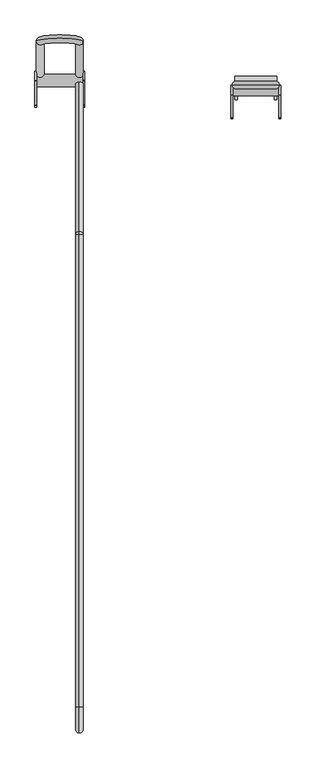
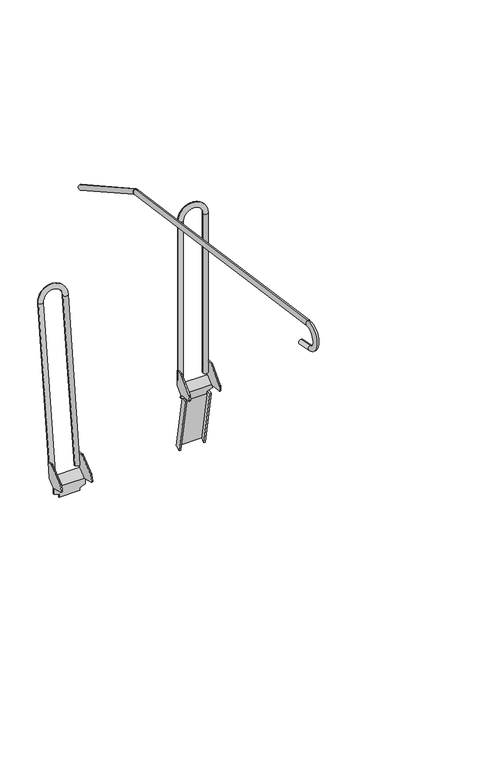
"""IFC4 building model written with IfcOpenShell, lengths in millimetres: proxy geometry."""

from ifc_helpers import new_model, si_unit, point, frame, origin, place, context, project, spatial, circle_curve, ellipse_curve, trimmed, source, transform, mapped, element, save
from ifc_brep_helpers import plane_surface, cylinder_surface, revolved_surface, advanced_brep


def parking_b1789103(model_context):
    return source(origin(), model_context, "Body", "AdvancedBrep", [
        advanced_brep(
        [(-360.0, 572.7413925, 1043.3513463), (-360.0, 564.9175919, 1029.3297624), (-360.0, 268.9570816, 1212.857722), (-360.0, 261.133281, 1198.8361381), (-360.0, 260.0106926, 1199.2142021), (-360.0, 262.2631411, 1215.1120997), (-360.0, -698.9235668, 1351.295107), (-360.0, -701.1760152, 1335.3972094), (-360.0, -664.9428908, 1248.1665916), (-360.0, -661.834922, 1263.9195976), (-360.0, -711.6180658, 1273.7414982), (-360.0, -714.7260346, 1257.9884921)],
        [
            (0, 1, circle_curve(frame((-360.0, 568.8294922, 1036.3405543), z_axis=(0.0, 0.8732559976241542, -0.4872616982828051), x_axis=(0.0, -0.4872616982828051, -0.8732559976241542)), 8.0283353)),
            (1, 0, circle_curve(frame((-360.0, 568.8294922, 1036.3405543), z_axis=(0.0, 0.8732559976241542, -0.4872616982828051), x_axis=(0.0, -0.4872616982828051, -0.8732559976241542)), 8.0283353)),
            (0, 2),
            (2, 3, circle_curve(frame((-360.0, 265.0451813, 1205.84693), z_axis=(0.0, 0.8732559976241542, -0.4872616982828051), x_axis=(0.0, -0.4872616982828051, -0.8732559976241542)), 8.0283353)),
            (3, 1),
            (3, 2, circle_curve(frame((-360.0, 265.0451813, 1205.84693), z_axis=(0.0, 0.8732559976241542, -0.4872616982828051), x_axis=(0.0, -0.4872616982828051, -0.8732559976241542)), 8.0283353)),
            (4, 5, circle_curve(frame((-360.0, 261.1369168, 1207.1631509), z_axis=(0.0, -0.9901117083871345, 0.140281163791544), x_axis=(0.0, -0.140281163791544, -0.9901117083871345)), 8.0283353)),
            (5, 6),
            (6, 7, circle_curve(frame((-360.0, -700.049791, 1343.3461582), z_axis=(0.0, 0.9901117083871345, -0.140281163791544), x_axis=(0.0, -0.140281163791544, -0.9901117083871345)), 8.0283353)),
            (7, 4),
            (5, 4, circle_curve(frame((-360.0, 261.1369168, 1207.1631509), z_axis=(0.0, -0.9901117083871345, 0.140281163791544), x_axis=(0.0, -0.140281163791544, -0.9901117083871345)), 8.0283353)),
            (7, 6, circle_curve(frame((-360.0, -700.049791, 1343.3461582), z_axis=(0.0, 0.9901117083871345, -0.140281163791544), x_axis=(0.0, -0.140281163791544, -0.9901117083871345)), 8.0283353)),
            (8, 9, circle_curve(frame((-360.0, -663.3889064, 1256.0430946), z_axis=(0.0, 0.9810879524116618, -0.1935624695871931), x_axis=(0.0, 0.1935624695871931, 0.9810879524116618)), 8.0283353)),
            (9, 8, circle_curve(frame((-360.0, -663.3889064, 1256.0430946), z_axis=(0.0, 0.9810879524116618, -0.1935624695871931), x_axis=(0.0, 0.1935624695871931, 0.9810879524116618)), 8.0283353)),
            (10, 11, circle_curve(frame((-360.0, -713.1720502, 1265.8649951), z_axis=(0.0, 0.9810879524116618, -0.1935624695871931), x_axis=(0.0, 0.1935624695871931, 0.9810879524116618)), 8.0283353)),
            (11, 8),
            (9, 10),
            (11, 10, circle_curve(frame((-360.0, -713.1720502, 1265.8649951), z_axis=(0.0, 0.9810879524116618, -0.1935624695871931), x_axis=(0.0, 0.1935624695871931, 0.9810879524116618)), 8.0283353)),
            (10, 7, circle_curve(frame((-360.0, -705.563767, 1304.4282301), z_axis=(-1.0, 0.0, 0.0), x_axis=(0.0, 0.14028116379154418, 0.9901117083871345)), 31.278268)),
            (6, 11, circle_curve(frame((-360.0, -705.563767, 1304.4282301), z_axis=(1.0, 0.0, 0.0), x_axis=(0.0, 0.14028116379154418, 0.9901117083871345)), 47.3349386)),
            (4, 3, circle_curve(frame((-360.0, 259.5568401, 1196.0108872), z_axis=(-1.0, 0.0, 0.0), x_axis=(0.0, 0.4872616982828005, 0.8732559976241566)), 3.2353066)),
            (2, 5, circle_curve(frame((-360.0, 259.5568401, 1196.0108872), z_axis=(1.0, 0.0, 0.0), x_axis=(0.0, 0.4872616982828005, 0.8732559976241566)), 19.2919772)),
        ],
        [
            plane_surface(frame((80.0, 568.8294922, 1036.3405543), z_axis=(0.0, 0.8732559976241542, -0.4872616982828051), x_axis=(1.0, 0.0, 0.0))),
            cylinder_surface(frame((-360.0, 568.8294922, 1036.3405543), z_axis=(0.0, 0.8732559976241542, -0.4872616982828051), x_axis=(0.0, -0.4872616982828051, -0.8732559976241542)), 8.0283353),
            cylinder_surface(frame((-360.0, 261.1369168, 1207.1631509), z_axis=(0.0, 0.9901117083871345, -0.140281163791544), x_axis=(0.0, -0.140281163791544, -0.9901117083871345)), 8.0283353),
            plane_surface(frame((80.0, -663.3889064, 1256.0430946), z_axis=(0.0, 0.9810879524116618, -0.19356246958719295), x_axis=(1.0, 0.0, 0.0))),
            cylinder_surface(frame((-360.0, -713.1720502, 1265.8649951), z_axis=(0.0, -0.9810879524116618, 0.1935624695871931), x_axis=(0.0, 0.1935624695871931, 0.9810879524116618)), 8.0283353),
            revolved_surface(trimmed(ellipse_curve(frame((-360.0, -700.049791, 1343.3461582), z_axis=(0.0, 0.9901117083871345, -0.14028116379154437), x_axis=(0.0, -0.14028116379154437, -0.9901117083871345)), 8.0283353, 8.0283353), [point((-360.0, -698.9235668, 1351.295107))], [point((-360.0, -701.1760152, 1335.3972094))], True, "CARTESIAN"), (80.0, -705.563767, 1304.4282301), (1.0, 0.0, 0.0)),
            revolved_surface(trimmed(ellipse_curve(frame((-360.0, -700.049791, 1343.3461582), z_axis=(0.0, 0.9901117083871345, -0.14028116379154437), x_axis=(0.0, -0.14028116379154437, -0.9901117083871345)), 8.0283353, 8.0283353), [point((-360.0, -701.1760152, 1335.3972094))], [point((-360.0, -698.9235668, 1351.295107))], True, "CARTESIAN"), (80.0, -705.563767, 1304.4282301), (1.0, 0.0, 0.0)),
            revolved_surface(trimmed(ellipse_curve(frame((-360.0, 265.0451813, 1205.84693), z_axis=(0.0, 0.8732559976241566, -0.4872616982828006), x_axis=(0.0, -0.4872616982828006, -0.8732559976241566)), 8.0283353, 8.0283353), [point((-360.0, 268.9570816, 1212.857722))], [point((-360.0, 261.133281, 1198.8361381))], True, "CARTESIAN"), (80.0, 259.5568401, 1196.0108872), (1.0, 0.0, 0.0)),
            revolved_surface(trimmed(ellipse_curve(frame((-360.0, 265.0451813, 1205.84693), z_axis=(0.0, 0.8732559976241566, -0.4872616982828006), x_axis=(0.0, -0.4872616982828006, -0.8732559976241566)), 8.0283353, 8.0283353), [point((-360.0, 261.133281, 1198.8361381))], [point((-360.0, 268.9570816, 1212.857722))], True, "CARTESIAN"), (80.0, 259.5568401, 1196.0108872), (1.0, 0.0, 0.0)),
        ],
        [
            (0, [[1, 2]]),
            (1, [[-1, 3, 4, 5]]),
            (1, [[-2, -5, 6, -3]]),
            (2, [[7, 8, 9, 10]]),
            (2, [[11, -10, 12, -8]]),
            (3, [[13, 14]]),
            (4, [[15, 16, -14, 17]]),
            (4, [[18, -17, -13, -16]]),
            (5, [[19, -9, 20, -15]]),
            (6, [[-20, -12, -19, -18]]),
            (7, [[21, -4, 22, -7]]),
            (8, [[-22, -6, -21, -11]]),
        ],
    ),
        advanced_brep(
        [(-349.1811577, 565.6416002, 44.5364845), (-349.1811577, 589.2519533, 63.0446241), (-349.1811577, 595.4565216, 114.262995), (-349.1811577, 576.5959669, 116.5477533), (-349.1811577, 575.1215703, 116.1362921), (-349.1811577, 527.1994208, 78.5701519), (-349.1811577, 526.138175, 76.930163), (-349.1811577, 521.8246807, 59.5094341), (-349.1811577, 524.7480023, 54.6620253), (-349.1811577, 563.5616628, 45.0514916), (-349.1811577, 563.5616628, 24.6645516), (-349.1811577, 565.6416002, 24.6645516), (-450.8188423, 589.2519533, 63.0446241), (-450.8188423, 565.6416002, 44.5364845), (-450.8188423, 565.6416002, 24.6645516), (-450.8188423, 563.5616628, 24.6645516), (-450.8188423, 563.5616628, 45.0514916), (-450.8188423, 524.7480023, 54.6620253), (-450.8188423, 521.8246807, 59.5094341), (-450.8188423, 526.138175, 76.930163), (-450.8188423, 527.1994208, 78.5701519), (-450.8188423, 575.1215703, 116.1362921), (-450.8188423, 576.5959669, 116.5477533), (-450.8188423, 595.4565216, 114.262995), (-447.2690307, 595.4565216, 114.262995), (-447.2690307, 589.5391244, 65.4152059), (-352.7309694, 589.5391244, 65.4152059), (-352.7309694, 595.4565216, 114.262995), (-447.2690307, 563.5616628, 45.0514916), (-352.7309694, 563.5616628, 45.0514916), (-352.7309694, 565.6416002, 44.5364845), (-447.2690307, 565.6416002, 44.5364845), (-433.7347779, 563.5616628, 17.4127965), (-433.7347779, 563.5616628, 7.4127965), (-366.2652221, 563.5616628, 7.4127965), (-366.2652221, 563.5616628, 17.4127965), (-366.2652221, 565.6416002, 17.4127965), (-366.2652221, 565.6416002, 7.4127965), (-433.7347779, 565.6416002, 7.4127965), (-433.7347779, 565.6416002, 17.4127965), (-447.2690307, 576.5959669, 116.5477533), (-447.2690307, 575.1215703, 116.1362921), (-447.2690307, 527.1994208, 78.5701519), (-447.2690307, 526.138175, 76.930163), (-447.2690307, 521.8246807, 59.5094341), (-447.2690307, 524.7480023, 54.6620253), (-352.7309694, 524.7480023, 54.6620253), (-352.7309694, 521.8246807, 59.5094341), (-352.7309694, 526.138175, 76.930163), (-352.7309694, 527.1994208, 78.5701519), (-352.7309694, 575.1215703, 116.1362921), (-352.7309694, 576.5959669, 116.5477533)],
        [
            (0, 1),
            (1, 2),
            (2, 3),
            (3, 4, circle_curve(frame((-349.1811577, 576.3554463, 114.5622685), z_axis=(1.0, 0.0, 0.0), x_axis=(0.0, 0.9993329440952969, 0.036519403689357466)), 2.0)),
            (4, 5),
            (5, 6, circle_curve(frame((-349.1811577, 529.0502347, 76.2091166), z_axis=(1.0, 0.0, 0.0), x_axis=(0.0, 0.9993329440952969, 0.036519403689357466)), 3.0)),
            (6, 7),
            (7, 8, circle_curve(frame((-349.1811577, 525.7100459, 58.5473905), z_axis=(1.0, 0.0, 0.0), x_axis=(0.0, 0.9993329440952969, 0.036519403689357466)), 4.0026979)),
            (8, 9),
            (9, 10),
            (10, 11),
            (11, 0),
            (12, 13),
            (13, 14),
            (14, 15),
            (15, 16),
            (16, 17),
            (17, 18, circle_curve(frame((-450.8188423, 525.7100459, 58.5473905), z_axis=(-1.0, 0.0, 0.0), x_axis=(0.0, 0.9993329440952969, 0.036519403689357466)), 4.0026979)),
            (18, 19),
            (19, 20, circle_curve(frame((-450.8188423, 529.0502347, 76.2091166), z_axis=(-1.0, 0.0, 0.0), x_axis=(0.0, 0.9993329440952969, 0.036519403689357466)), 3.0)),
            (20, 21),
            (21, 22, circle_curve(frame((-450.8188423, 576.3554463, 114.5622685), z_axis=(-1.0, 0.0, 0.0), x_axis=(0.0, 0.9993329440952969, 0.036519403689357466)), 2.0)),
            (22, 23),
            (23, 12),
            (1, 12),
            (23, 24),
            (24, 25),
            (25, 26),
            (26, 27),
            (27, 2),
            (25, 28),
            (28, 29),
            (29, 26),
            (0, 30),
            (30, 31),
            (31, 13),
            (9, 29),
            (28, 16),
            (15, 32),
            (32, 33),
            (33, 34),
            (34, 35),
            (35, 10),
            (11, 36),
            (36, 37),
            (37, 38),
            (38, 39),
            (39, 14),
            (39, 32),
            (35, 36),
            (34, 37),
            (33, 38),
            (24, 40),
            (40, 41, circle_curve(frame((-447.2690307, 576.3554463, 114.5622685), z_axis=(1.0, 0.0, 0.0), x_axis=(0.0, 0.9993329440952969, 0.036519403689357466)), 2.0)),
            (41, 42),
            (42, 43, circle_curve(frame((-447.2690307, 529.0502347, 76.2091166), z_axis=(1.0, 0.0, 0.0), x_axis=(0.0, 0.9993329440952969, 0.036519403689357466)), 3.0)),
            (43, 44),
            (44, 45, circle_curve(frame((-447.2690307, 525.7100459, 58.5473905), z_axis=(1.0, 0.0, 0.0), x_axis=(0.0, 0.9993329440952969, 0.036519403689357466)), 4.0026979)),
            (45, 28),
            (22, 40),
            (41, 21),
            (20, 42),
            (43, 19),
            (18, 44),
            (45, 17),
            (46, 47, circle_curve(frame((-352.7309694, 525.7100459, 58.5473905), z_axis=(-1.0, 0.0, 0.0), x_axis=(0.0, 0.9993329440952969, 0.036519403689357466)), 4.0026979)),
            (47, 48),
            (48, 49, circle_curve(frame((-352.7309694, 529.0502347, 76.2091166), z_axis=(-1.0, 0.0, 0.0), x_axis=(0.0, 0.9993329440952969, 0.036519403689357466)), 3.0)),
            (49, 50),
            (50, 51, circle_curve(frame((-352.7309694, 576.3554463, 114.5622685), z_axis=(-1.0, 0.0, 0.0), x_axis=(0.0, 0.9993329440952969, 0.036519403689357466)), 2.0)),
            (51, 27),
            (29, 46),
            (8, 46),
            (7, 47),
            (6, 48),
            (5, 49),
            (4, 50),
            (3, 51),
        ],
        [
            plane_surface(frame((-349.1811577, 565.2123306, 46.345449), z_axis=(1.0, 0.0, 0.0), x_axis=(0.0, -0.7870117679007277, -0.6169379848783597))),
            plane_surface(frame((-450.8188423, 565.2123306, 46.345449), z_axis=(-1.0, 0.0, 0.0), x_axis=(0.0, 0.7870117679007277, 0.6169379848783597))),
            plane_surface(frame((-349.1811577, 589.2519533, 63.0446241), z_axis=(0.0, 0.9927423906352683, -0.1202603252771778), x_axis=(-1.0, 0.0, 0.0))),
            plane_surface(frame((-349.1811577, 589.5391244, 65.4152059), z_axis=(0.0, -0.6169379848783597, 0.7870117679007277), x_axis=(-1.0, 0.0, 0.0))),
            plane_surface(frame((-349.1811577, 565.6416002, 44.5364845), z_axis=(0.0, 0.6169379848783604, -0.7870117679007271), x_axis=(-1.0, 0.0, 0.0))),
            plane_surface(frame((-349.1811577, 563.5616628, 45.0514916), z_axis=(0.0, -1.0, 0.0), x_axis=(-1.0, 0.0, 0.0))),
            plane_surface(frame((-349.1811577, 565.6416002, 4.1342929), z_axis=(0.0, 1.0, 0.0), x_axis=(-1.0, 0.0, 0.0))),
            plane_surface(frame((-433.7347779, 530.7601465, 17.4127965), z_axis=(-0.39073112848927327, 0.0, -0.9205048534524405), x_axis=(0.0, 1.0, 0.0))),
            plane_surface(frame((-349.1811577, 530.7601465, 24.6645516), z_axis=(0.39073112848927294, 0.0, -0.9205048534524407), x_axis=(0.0, 1.0, 0.0))),
            plane_surface(frame((-366.2652221, 530.7601465, 17.4127965), z_axis=(1.0, 0.0, 0.0), x_axis=(0.0, 1.0, 0.0))),
            plane_surface(frame((-366.2652221, 530.7601465, 7.4127965), z_axis=(0.0, 0.0, -1.0), x_axis=(0.0, 1.0, 0.0))),
            plane_surface(frame((-433.7347779, 530.7601465, 7.4127965), z_axis=(-1.0, 0.0, 0.0), x_axis=(0.0, 1.0, 0.0))),
            plane_surface(frame((-447.2690307, 599.0643313, 144.0452667), z_axis=(1.0, 0.0, 0.0), x_axis=(0.0, 0.12026032527716275, 0.99274239063527))),
            plane_surface(frame((-447.2690307, 595.4565216, 114.262995), z_axis=(0.0, 0.12026032527716858, 0.9927423906352694), x_axis=(-1.0, 0.0, 0.0))),
            plane_surface(frame((-447.2690307, 575.1215703, 116.1362921), z_axis=(0.0, -0.6169379848783629, 0.7870117679007252), x_axis=(-1.0, 0.0, 0.0))),
            plane_surface(frame((-447.2690307, 526.138175, 76.930163), z_axis=(0.0, -0.9706865925170237, 0.2403487863661677), x_axis=(-1.0, 0.0, 0.0))),
            plane_surface(frame((-447.2690307, 524.7480023, 54.6620253), z_axis=(0.0, -0.24034878636616136, -0.9706865925170252), x_axis=(-1.0, 0.0, 0.0))),
            plane_surface(frame((-352.7309694, 589.0810198, 62.9106294), z_axis=(-1.0000000000000002, 0.0, 0.0), x_axis=(0.0, -0.7870117679007274, -0.6169379848783603))),
            cylinder_surface(frame((-450.8188423, 525.7100459, 58.5473905), z_axis=(1.0000000000000002, 0.0, 0.0), x_axis=(0.0, 0.9993329440952969, 0.036519403689357466)), 4.0026979),
            cylinder_surface(frame((-450.8188423, 576.3554463, 114.5622685), z_axis=(1.0000000000000002, 0.0, 0.0), x_axis=(0.0, 0.9993329440952969, 0.036519403689357466)), 2.0),
            cylinder_surface(frame((-450.8188423, 529.0502347, 76.2091166), z_axis=(1.0000000000000002, 0.0, 0.0), x_axis=(0.0, 0.9993329440952969, 0.036519403689357466)), 3.0),
            plane_surface(frame((-352.7309694, 565.6416002, 44.5364845), z_axis=(0.0, -0.24034878636616136, -0.9706865925170252), x_axis=(1.0, 0.0, 0.0))),
            cylinder_surface(frame((-349.1811577, 525.7100459, 58.5473905), z_axis=(-1.0000000000000002, 0.0, 0.0), x_axis=(0.0, 0.9993329440952969, 0.036519403689357466)), 4.0026979),
            plane_surface(frame((-352.7309694, 521.8246807, 59.5094341), z_axis=(0.0, -0.9706865925170237, 0.24034878636616758), x_axis=(1.0, 0.0, 0.0))),
            cylinder_surface(frame((-349.1811577, 529.0502347, 76.2091166), z_axis=(-1.0000000000000002, 0.0, 0.0), x_axis=(0.0, 0.9993329440952969, 0.036519403689357466)), 3.0),
            plane_surface(frame((-352.7309694, 527.1994208, 78.5701519), z_axis=(0.0, -0.6169379848783629, 0.7870117679007252), x_axis=(1.0, 0.0, 0.0))),
            cylinder_surface(frame((-349.1811577, 576.3554463, 114.5622685), z_axis=(-1.0000000000000002, 0.0, 0.0), x_axis=(0.0, 0.9993329440952969, 0.036519403689357466)), 2.0),
            plane_surface(frame((-352.7309694, 576.5959669, 116.5477533), z_axis=(0.0, 0.12026032527716858, 0.9927423906352694), x_axis=(1.0, 0.0, 0.0))),
        ],
        [
            (0, [[1, 2, 3, 4, 5, 6, 7, 8, 9, 10, 11, 12]]),
            (1, [[13, 14, 15, 16, 17, 18, 19, 20, 21, 22, 23, 24]]),
            (2, [[-2, 25, -24, 26, 27, 28, 29, 30]]),
            (3, [[31, 32, 33, -28]]),
            (4, [[-25, -1, 34, 35, 36, -13]]),
            (5, [[-10, 37, -32, 38, -16, 39, 40, 41, 42, 43]]),
            (6, [[-12, 44, 45, 46, 47, 48, -14, -36, -35, -34]]),
            (7, [[49, -39, -15, -48]]),
            (8, [[50, -44, -11, -43]]),
            (9, [[-50, -42, 51, -45]]),
            (10, [[-51, -41, 52, -46]]),
            (11, [[-49, -47, -52, -40]]),
            (12, [[53, 54, 55, 56, 57, 58, 59, -31, -27]]),
            (13, [[-53, -26, -23, 60]]),
            (14, [[-55, 61, -21, 62]]),
            (15, [[-57, 63, -19, 64]]),
            (16, [[65, -17, -38, -59]]),
            (17, [[66, 67, 68, 69, 70, 71, -29, -33, 72]]),
            (18, [[-58, -64, -18, -65]]),
            (19, [[-54, -60, -22, -61]]),
            (20, [[-56, -62, -20, -63]]),
            (21, [[73, -72, -37, -9]]),
            (22, [[-66, -73, -8, 74]]),
            (23, [[-67, -74, -7, 75]]),
            (24, [[-68, -75, -6, 76]]),
            (25, [[-69, -76, -5, 77]]),
            (26, [[-70, -77, -4, 78]]),
            (27, [[-71, -78, -3, -30]]),
        ],
    ),
        advanced_brep(
        [(-431.9716647, 590.8766249, 76.9039447), (-448.0283353, 590.8766249, 76.9039447), (-431.9716647, 656.2792539, 616.7990611), (-448.0283353, 656.2792539, 616.7990611), (-351.9716647, 656.2792539, 616.7990611), (-368.0283353, 656.2792539, 616.7990611), (-368.0283353, 590.8766249, 76.9039447), (-351.9716647, 590.8766249, 76.9039447)],
        [
            (0, 1, circle_curve(frame((-440.0, 590.8766249, 76.9039447), z_axis=(0.0, -0.12026032527716479, -0.9927423906352698), x_axis=(-1.0, 0.0, 0.0)), 8.0283353)),
            (1, 0, circle_curve(frame((-440.0, 590.8766249, 76.9039447), z_axis=(0.0, -0.12026032527716479, -0.9927423906352698), x_axis=(-1.0, 0.0, 0.0)), 8.0283353)),
            (0, 2),
            (2, 3, circle_curve(frame((-440.0, 656.2792539, 616.7990611), z_axis=(0.0, -0.12026032527716479, -0.9927423906352698), x_axis=(-1.0, 0.0, 0.0)), 8.0283353)),
            (3, 1),
            (3, 2, circle_curve(frame((-440.0, 656.2792539, 616.7990611), z_axis=(0.0, -0.12026032527716479, -0.9927423906352698), x_axis=(-1.0, 0.0, 0.0)), 8.0283353)),
            (4, 3, circle_curve(frame((-400.0, 656.2792539, 616.7990611), z_axis=(0.0, -0.9927423906352698, 0.12026032527716479), x_axis=(-1.0, 0.0, 0.0)), 48.0283353)),
            (2, 5, circle_curve(frame((-400.0, 656.2792539, 616.7990611), z_axis=(0.0, 0.9927423906352698, -0.12026032527716479), x_axis=(-1.0, 0.0, 0.0)), 31.9716647)),
            (5, 4, circle_curve(frame((-360.0, 656.2792539, 616.7990611), z_axis=(0.0, 0.12026032527716479, 0.9927423906352698), x_axis=(1.0, 0.0, 0.0)), 8.0283353)),
            (4, 5, circle_curve(frame((-360.0, 656.2792539, 616.7990611), z_axis=(0.0, 0.12026032527716479, 0.9927423906352698), x_axis=(1.0, 0.0, 0.0)), 8.0283353)),
            (6, 7, circle_curve(frame((-360.0, 590.8766249, 76.9039447), z_axis=(0.0, -0.12026032527716475, -0.9927423906352698), x_axis=(1.0, 0.0, 0.0)), 8.0283353)),
            (7, 6, circle_curve(frame((-360.0, 590.8766249, 76.9039447), z_axis=(0.0, -0.12026032527716475, -0.9927423906352698), x_axis=(1.0, 0.0, 0.0)), 8.0283353)),
            (5, 6),
            (7, 4),
        ],
        [
            plane_surface(frame((-440.0, -51.4341584, 154.7131573), z_axis=(0.0, -0.12026032527716479, -0.9927423906352698), x_axis=(0.0, -0.9927423906352698, 0.12026032527716479))),
            cylinder_surface(frame((-440.0, 590.8766249, 76.9039447), z_axis=(0.0, -0.12026032527716479, -0.9927423906352698), x_axis=(-1.0, 0.0, 0.0)), 8.0283353),
            revolved_surface(trimmed(ellipse_curve(frame((-440.0, 656.2792539, 616.7990611), z_axis=(0.0, -0.12026032527716479, -0.9927423906352698), x_axis=(-1.0, 0.0, 0.0)), 8.0283353, 8.0283353), [point((-431.9716647, 656.2792539, 616.7990611))], [point((-448.0283353, 656.2792539, 616.7990611))], True, "CARTESIAN"), (-400.0, 13.9684706, 694.6082737), (0.0, 0.9927423906352698, -0.12026032527716479)),
            revolved_surface(trimmed(ellipse_curve(frame((-440.0, 656.2792539, 616.7990611), z_axis=(0.0, -0.12026032527716479, -0.9927423906352698), x_axis=(-1.0, 0.0, 0.0)), 8.0283353, 8.0283353), [point((-448.0283353, 656.2792539, 616.7990611))], [point((-431.9716647, 656.2792539, 616.7990611))], True, "CARTESIAN"), (-400.0, 13.9684706, 694.6082737), (0.0, 0.9927423906352698, -0.12026032527716479)),
            plane_surface(frame((-360.0, -51.4341584, 154.7131573), z_axis=(0.0, -0.12026032527716475, -0.9927423906352698), x_axis=(0.0, -0.9927423906352698, 0.12026032527716475))),
            cylinder_surface(frame((-360.0, 656.2792539, 616.7990611), z_axis=(0.0, 0.12026032527716475, 0.9927423906352698), x_axis=(1.0, 0.0, 0.0)), 8.0283353),
        ],
        [
            (0, [[1, 2]]),
            (1, [[-1, 3, 4, 5]]),
            (1, [[-2, -5, 6, -3]]),
            (2, [[7, -4, 8, 9]]),
            (3, [[-8, -6, -7, 10]]),
            (4, [[11, 12]]),
            (5, [[-9, 13, -12, 14]]),
            (5, [[-10, -14, -11, -13]]),
        ],
    ),
        advanced_brep(
        [(-31.9716647, 567.029181, 267.481457), (-48.0283353, 567.029181, 267.481457), (-31.9716647, 567.029181, 811.323567), (-48.0283353, 567.029181, 811.323567), (48.0283353, 567.029181, 811.323567), (31.9716647, 567.029181, 811.323567), (31.9716647, 567.029181, 267.481457), (48.0283353, 567.029181, 267.481457)],
        [
            (0, 1, circle_curve(frame((-40.0, 567.029181, 267.481457), z_axis=(0.0, 0.0, -1.0), x_axis=(-1.0, 0.0, 0.0)), 8.0283353)),
            (1, 0, circle_curve(frame((-40.0, 567.029181, 267.481457), z_axis=(0.0, 0.0, -1.0), x_axis=(-1.0, 0.0, 0.0)), 8.0283353)),
            (0, 2),
            (2, 3, circle_curve(frame((-40.0, 567.029181, 811.323567), z_axis=(0.0, 0.0, -1.0), x_axis=(-1.0, 0.0, 0.0)), 8.0283353)),
            (3, 1),
            (3, 2, circle_curve(frame((-40.0, 567.029181, 811.323567), z_axis=(0.0, 0.0, -1.0), x_axis=(-1.0, 0.0, 0.0)), 8.0283353)),
            (4, 3, circle_curve(frame((0.0, 567.029181, 811.323567), z_axis=(0.0, -1.0, 0.0), x_axis=(-1.0, 0.0, 0.0)), 48.0283353)),
            (2, 5, circle_curve(frame((0.0, 567.029181, 811.323567), z_axis=(0.0, 1.0, 0.0), x_axis=(-1.0, 0.0, 0.0)), 31.9716647)),
            (5, 4, circle_curve(frame((40.0, 567.029181, 811.323567), z_axis=(0.0, 0.0, 1.0), x_axis=(1.0, 0.0, 0.0)), 8.0283353)),
            (4, 5, circle_curve(frame((40.0, 567.029181, 811.323567), z_axis=(0.0, 0.0, 1.0), x_axis=(1.0, 0.0, 0.0)), 8.0283353)),
            (6, 7, circle_curve(frame((40.0, 567.029181, 267.481457), z_axis=(0.0, 0.0, -1.0), x_axis=(1.0, 0.0, 0.0)), 8.0283353)),
            (7, 6, circle_curve(frame((40.0, 567.029181, 267.481457), z_axis=(0.0, 0.0, -1.0), x_axis=(1.0, 0.0, 0.0)), 8.0283353)),
            (5, 6),
            (7, 4),
        ],
        [
            plane_surface(frame((-40.0, 0.0, 267.481457), z_axis=(0.0, 0.0, -1.0), x_axis=(0.0, -1.0, 0.0))),
            cylinder_surface(frame((-40.0, 567.029181, 267.481457), z_axis=(0.0, 0.0, -1.0), x_axis=(-1.0, 0.0, 0.0)), 8.0283353),
            revolved_surface(trimmed(ellipse_curve(frame((-40.0, 567.029181, 811.323567), z_axis=(0.0, 0.0, -1.0), x_axis=(-1.0, 0.0, 0.0)), 8.0283353, 8.0283353), [point((-31.9716647, 567.029181, 811.323567))], [point((-48.0283353, 567.029181, 811.323567))], True, "CARTESIAN"), (0.0, 0.0, 811.323567), (0.0, 1.0, 0.0)),
            revolved_surface(trimmed(ellipse_curve(frame((-40.0, 567.029181, 811.323567), z_axis=(0.0, 0.0, -1.0), x_axis=(-1.0, 0.0, 0.0)), 8.0283353, 8.0283353), [point((-48.0283353, 567.029181, 811.323567))], [point((-31.9716647, 567.029181, 811.323567))], True, "CARTESIAN"), (0.0, 0.0, 811.323567), (0.0, 1.0, 0.0)),
            plane_surface(frame((40.0, 0.0, 267.481457), z_axis=(0.0, 0.0, -1.0), x_axis=(0.0, -1.0, 0.0))),
            cylinder_surface(frame((40.0, 567.029181, 811.323567), z_axis=(0.0, 0.0, 1.0), x_axis=(1.0, 0.0, 0.0)), 8.0283353),
        ],
        [
            (0, [[1, 2]]),
            (1, [[-1, 3, 4, 5]]),
            (1, [[-2, -5, 6, -3]]),
            (2, [[7, -4, 8, 9]]),
            (3, [[-8, -6, -7, 10]]),
            (4, [[11, 12]]),
            (5, [[-9, 13, -12, 14]]),
            (5, [[-10, -14, -11, -13]]),
        ],
    ),
        advanced_brep(
        [(-37.4402695, 550.7117475, 214.7482394), (-37.4402695, 537.1434371, 212.3557802), (-37.4402695, 570.2100407, 24.8257524), (-37.4402695, 582.5935569, 33.9375135), (-42.5597305, 582.5935569, 33.9375135), (-42.5597305, 570.2100407, 24.8257524), (-42.5597305, 537.1434371, 212.3557802), (-42.5597305, 552.927285, 215.1388984), (-42.5597305, 584.8090943, 34.3281726), (42.5597305, 552.927285, 215.1388984), (42.5597305, 584.8090943, 34.3281726), (-0.3546876, 552.927285, 215.1388984), (-33.7347779, 550.7117475, 214.7482394), (37.4402695, 582.5935569, 33.9375135), (37.4402695, 550.7117475, 214.7482394), (33.7347779, 550.7117475, 214.7482394), (33.7347779, 552.4482293, 204.9001619), (-33.7347779, 552.4482293, 204.9001619), (42.5597305, 537.1434371, 212.3557802), (42.5597305, 570.2100407, 24.8257524), (42.5597305, 582.5935569, 33.9375135), (-0.3546876, 550.7117475, 214.7482394), (37.4402695, 537.1434371, 212.3557802), (37.4402695, 570.2100407, 24.8257524), (-47.2690307, 567.083027, 305.1201498), (-47.2690307, 547.256162, 305.1201498), (-47.2690307, 500.8047442, 258.668732), (-47.2690307, 499.9484261, 256.9130197), (-47.2690307, 498.3438511, 243.844805), (-47.2690307, 501.8265584, 239.387143), (-47.2690307, 545.2261228, 234.0583466), (-47.2690307, 567.083027, 255.9152508), (-50.8188423, 567.083027, 305.1201498), (-50.8188423, 547.256162, 305.1201498), (-50.8188423, 500.8047442, 258.668732), (-50.8188423, 499.9484261, 256.9130197), (-50.8188423, 498.3438511, 243.844805), (-50.8188423, 501.8265584, 239.387143), (-50.8188423, 545.2261228, 234.0583466), (50.8188423, 547.3528998, 233.7972112), (50.8188423, 567.083027, 253.5273384), (50.8188423, 567.083027, 305.1201498), (50.8188423, 547.256162, 305.1201498), (50.8188423, 500.8047442, 258.668732), (50.8188423, 499.9484261, 256.9130197), (50.8188423, 498.3488573, 243.8855774), (50.8188423, 501.8673307, 239.3821368), (50.8188423, 545.2261228, 234.0583466), (50.8188423, 547.4345034, 221.5339979), (50.8188423, 549.4524935, 221.889824), (-50.8188423, 567.083027, 253.5273384), (-50.8188423, 547.3528998, 233.7972112), (-50.8188423, 549.4524935, 221.889824), (-50.8188423, 547.4345034, 221.5339979), (47.2690307, 567.083027, 255.9152508), (47.2690307, 567.083027, 305.1201498), (47.2690307, 545.2261228, 234.0583466), (-33.7347779, 548.6937574, 214.3924133), (-33.7347779, 550.4302392, 204.5443358), (33.7347779, 550.4302392, 204.5443358), (33.7347779, 548.6937574, 214.3924133), (-47.2690307, 547.3528998, 233.7972112), (47.2690307, 547.3528998, 233.7972112), (47.2690307, 501.8673307, 239.3821368), (47.2690307, 498.3488573, 243.8855774), (47.2690307, 499.9484261, 256.9130197), (47.2690307, 500.8047442, 258.668732), (47.2690307, 547.256162, 305.1201498)],
        [
            (0, 1),
            (1, 2),
            (2, 3),
            (3, 0),
            (4, 5),
            (5, 6),
            (6, 7),
            (7, 8),
            (8, 4),
            (1, 6),
            (5, 2),
            (4, 3),
            (9, 10),
            (10, 8),
            (7, 11),
            (11, 9),
            (12, 0),
            (3, 13),
            (13, 14),
            (14, 15),
            (15, 16),
            (16, 17),
            (17, 12),
            (9, 18),
            (18, 19),
            (19, 20),
            (20, 10),
            (20, 13),
            (11, 21),
            (21, 15),
            (14, 22),
            (22, 18),
            (12, 21),
            (13, 23),
            (23, 22),
            (23, 19),
            (24, 25),
            (25, 26),
            (26, 27, circle_curve(frame((-47.2690307, 502.9260646, 256.5474117), z_axis=(1.0, 0.0, 0.0), x_axis=(0.0, 0.9876883405951372, 0.15643446504023437)), 3.0)),
            (27, 28),
            (28, 29, circle_curve(frame((-47.2690307, 502.3140357, 243.3573276), z_axis=(1.0, 0.0, 0.0), x_axis=(0.0, 0.9876883405951372, 0.15643446504023437)), 4.0)),
            (29, 30),
            (30, 31),
            (31, 24),
            (24, 32),
            (32, 33),
            (33, 25),
            (33, 34),
            (34, 26),
            (27, 35),
            (35, 36),
            (36, 28),
            (29, 37),
            (37, 38),
            (38, 30),
            (39, 40),
            (40, 41),
            (41, 42),
            (42, 43),
            (43, 44, circle_curve(frame((50.8188423, 502.9260646, 256.5474117), z_axis=(1.0, 0.0, 0.0), x_axis=(0.0, 0.9876883405951372, 0.15643446504023437)), 3.0)),
            (44, 45),
            (45, 46, circle_curve(frame((50.8188423, 502.3598143, 243.3930938), z_axis=(1.0, 0.0, 0.0), x_axis=(0.0, 0.9876883405951372, 0.15643446504023437)), 4.0410785)),
            (46, 47),
            (47, 48),
            (48, 49),
            (49, 39),
            (50, 51),
            (51, 52),
            (52, 53),
            (53, 38),
            (37, 36, circle_curve(frame((-50.8188423, 502.3140357, 243.3573276), z_axis=(-1.0, 0.0, 0.0), x_axis=(0.0, 0.9876883405951372, 0.15643446504023437)), 4.0)),
            (35, 34, circle_curve(frame((-50.8188423, 502.9260646, 256.5474117), z_axis=(-1.0, 0.0, 0.0), x_axis=(0.0, 0.9876883405951372, 0.15643446504023437)), 3.0)),
            (32, 50),
            (40, 50),
            (31, 54),
            (54, 55),
            (55, 41),
            (47, 56),
            (56, 30),
            (53, 57),
            (57, 58),
            (58, 59),
            (59, 60),
            (60, 48),
            (58, 17),
            (16, 59),
            (49, 15),
            (12, 52),
            (51, 61),
            (61, 62),
            (62, 39),
            (56, 54),
            (63, 64, circle_curve(frame((47.2690307, 502.3598143, 243.3930938), z_axis=(-1.0, 0.0, 0.0), x_axis=(0.0, 0.9876883405951372, 0.15643446504023437)), 4.0410785)),
            (64, 65),
            (65, 66, circle_curve(frame((47.2690307, 502.9260646, 256.5474117), z_axis=(-1.0, 0.0, 0.0), x_axis=(0.0, 0.9876883405951372, 0.15643446504023437)), 3.0)),
            (66, 67),
            (67, 55),
            (56, 63),
            (67, 42),
            (66, 43),
            (64, 45),
            (44, 65),
            (46, 63),
            (12, 57),
            (60, 15),
        ],
        [
            plane_surface(frame((-37.4402695, 546.9793849, 235.9155195), z_axis=(1.0000000000000002, 0.0, 0.0), x_axis=(0.0, -0.1736481776669319, 0.9848077530122079))),
            plane_surface(frame((-42.5597305, 546.9793849, 235.9155195), z_axis=(-1.0000000000000002, 0.0, 0.0), x_axis=(0.0, 0.1736481776669319, -0.9848077530122079))),
            plane_surface(frame((-37.4402695, 537.1434371, 212.3557802), z_axis=(0.0, -0.9848077530122078, -0.17364817766693205), x_axis=(-1.0, 0.0, 0.0))),
            plane_surface(frame((-37.4402695, 570.2100407, 24.8257524), z_axis=(0.0, 0.5926536266772812, -0.8054574344968615), x_axis=(-1.0, 0.0, 0.0))),
            plane_surface(frame((42.5597305, 549.6390906, 233.7871752), z_axis=(0.0, 0.9848077530122079, 0.17364817766693175), x_axis=(0.0, 0.17364817766693175, -0.9848077530122079))),
            plane_surface(frame((42.5597305, 547.4235532, 233.3965161), z_axis=(0.0, -0.9848077530122079, -0.17364817766693175), x_axis=(0.0, -0.17364817766693175, 0.9848077530122079))),
            plane_surface(frame((42.5597305, 552.927285, 215.1388984), z_axis=(1.0, 0.0, 0.0), x_axis=(0.0, -0.984807753012208, -0.17364817766693083))),
            plane_surface(frame((42.5597305, 584.8090943, 34.3281726), z_axis=(0.0, 0.17364817766693083, -0.984807753012208), x_axis=(0.0, -0.984807753012208, -0.17364817766693083))),
            plane_surface(frame((-0.3546876, 552.927285, 215.1388984), z_axis=(0.0, -0.17364817766693083, 0.984807753012208), x_axis=(0.0, -0.984807753012208, -0.17364817766693083))),
            plane_surface(frame((-37.4402695, 550.7117475, 214.7482394), z_axis=(0.0, -0.17364817766693177, 0.9848077530122079), x_axis=(-1.0, 0.0, 0.0))),
            plane_surface(frame((37.4402695, 308.3064935, -167.8822424), z_axis=(-1.0000000000000002, 0.0, 0.0), x_axis=(0.0, -0.8054574344968625, -0.5926536266772799))),
            plane_surface(frame((37.4402695, 570.2100407, 24.8257524), z_axis=(0.0, -0.9848077530122079, -0.17364817766693136), x_axis=(1.0, 0.0, 0.0))),
            plane_surface(frame((37.4402695, 582.5935569, 33.9375135), z_axis=(0.0, 0.5926536266772799, -0.8054574344968625), x_axis=(1.0, 0.0, 0.0))),
            plane_surface(frame((-47.2690307, 567.083027, 335.1201498), z_axis=(1.0, 0.0, 0.0), x_axis=(0.0, 0.0, 1.0))),
            plane_surface(frame((-47.2690307, 567.083027, 305.1201498), z_axis=(0.0, 0.0, 1.0), x_axis=(-1.0, 0.0, 0.0))),
            plane_surface(frame((-47.2690307, 547.256162, 305.1201498), z_axis=(0.0, -0.7071067811865496, 0.7071067811865455), x_axis=(-1.0, 0.0, 0.0))),
            plane_surface(frame((-47.2690307, 499.9484261, 256.9130197), z_axis=(0.0, -0.992546151641322, 0.12186934340514802), x_axis=(-1.0, 0.0, 0.0))),
            plane_surface(frame((-47.2690307, 501.8265584, 239.387143), z_axis=(0.0, -0.12186934340514764, -0.992546151641322), x_axis=(-1.0, 0.0, 0.0))),
            plane_surface(frame((50.8188423, 545.2261228, 234.0583466), z_axis=(1.0, 0.0, 0.0), x_axis=(0.0, -0.707106781186548, -0.707106781186547))),
            plane_surface(frame((-50.8188423, 545.2261228, 234.0583466), z_axis=(-1.0, 0.0, 0.0), x_axis=(0.0, 0.707106781186548, 0.707106781186547))),
            plane_surface(frame((50.8188423, 567.083027, 253.5273384), z_axis=(0.0, 1.0, 0.0), x_axis=(-1.0, 0.0, 0.0))),
            plane_surface(frame((50.8188423, 545.2261228, 234.0583466), z_axis=(0.0, -0.9848077530122096, -0.1736481776669218), x_axis=(-1.0, 0.0, 0.0))),
            plane_surface(frame((50.8188423, 550.4302392, 204.5443358), z_axis=(0.0, 0.17364817766691804, -0.9848077530122102), x_axis=(-1.0, 0.0, 0.0))),
            plane_surface(frame((50.8188423, 552.4482293, 204.9001619), z_axis=(0.0, 0.9848077530122086, 0.17364817766692772), x_axis=(-1.0, 0.0, 0.0))),
            plane_surface(frame((50.8188423, 567.083027, 255.9152508), z_axis=(0.0, -0.707106781186547, 0.707106781186548), x_axis=(-1.0, 0.0, 0.0))),
            plane_surface(frame((50.8188423, 547.3528998, 233.7972112), z_axis=(0.0, 0.7071067811865469, -0.7071067811865481), x_axis=(-1.0, 0.0, 0.0))),
            plane_surface(frame((47.2690307, 566.9294483, 253.3737597), z_axis=(-1.0, 0.0, 0.0), x_axis=(0.0, -0.7071067811865481, -0.7071067811865469))),
            plane_surface(frame((47.2690307, 547.256162, 305.1201498), z_axis=(0.0, 0.0, 1.0), x_axis=(1.0, 0.0, 0.0))),
            plane_surface(frame((47.2690307, 500.8047442, 258.668732), z_axis=(0.0, -0.7071067811865496, 0.7071067811865455), x_axis=(1.0, 0.0, 0.0))),
            plane_surface(frame((47.2690307, 498.3488573, 243.8855774), z_axis=(0.0, -0.9925461516413211, 0.12186934340515562), x_axis=(1.0, 0.0, 0.0))),
            plane_surface(frame((47.2690307, 547.3528998, 233.7972112), z_axis=(0.0, -0.12186934340514895, -0.9925461516413219), x_axis=(1.0, 0.0, 0.0))),
            plane_surface(frame((-33.7347779, 514.7649794, 208.4098543), z_axis=(-0.390731128489275, 0.15984399033557367, -0.9065203163653304), x_axis=(0.0, 0.9848077530122095, 0.17364817766692245))),
            plane_surface(frame((50.8188423, 513.5057253, 215.5514389), z_axis=(0.390731128489275, 0.15984399033557367, -0.9065203163653304), x_axis=(0.0, 0.9848077530122095, 0.17364817766692245))),
            plane_surface(frame((33.7347779, 514.7649794, 208.4098543), z_axis=(1.0, 0.0, 0.0), x_axis=(0.0, 0.9848077530122095, 0.17364817766692245))),
            plane_surface(frame((-33.7347779, 516.5014611, 198.5617768), z_axis=(-1.0, 0.0, 0.0), x_axis=(0.0, 0.9848077530122094, 0.17364817766692278))),
            cylinder_surface(frame((-50.8188423, 502.9260646, 256.5474117), z_axis=(1.0000000000000002, 0.0, 0.0), x_axis=(0.0, 0.9876883405951372, 0.15643446504023437)), 3.0),
            cylinder_surface(frame((-50.8188423, 502.3140357, 243.3573276), z_axis=(1.0000000000000002, 0.0, 0.0), x_axis=(0.0, 0.9876883405951372, 0.15643446504023437)), 4.0),
            cylinder_surface(frame((50.8188423, 502.3598143, 243.3930938), z_axis=(-1.0000000000000002, 0.0, 0.0), x_axis=(0.0, 0.9876883405951372, 0.15643446504023437)), 4.0410785),
            cylinder_surface(frame((50.8188423, 502.9260646, 256.5474117), z_axis=(-1.0000000000000002, 0.0, 0.0), x_axis=(0.0, 0.9876883405951372, 0.15643446504023437)), 3.0),
        ],
        [
            (0, [[1, 2, 3, 4]]),
            (1, [[5, 6, 7, 8, 9]]),
            (2, [[-2, 10, -6, 11]]),
            (3, [[-3, -11, -5, 12]]),
            (4, [[13, 14, -8, 15, 16]]),
            (5, [[17, -4, 18, 19, 20, 21, 22, 23]]),
            (6, [[-13, 24, 25, 26, 27]]),
            (7, [[-14, -27, 28, -18, -12, -9]]),
            (8, [[-16, 29, 30, -20, 31, 32, -24]]),
            (9, [[-1, -17, 33, -29, -15, -7, -10]]),
            (10, [[34, 35, -31, -19]]),
            (11, [[-35, 36, -25, -32]]),
            (12, [[-34, -28, -26, -36]]),
            (13, [[37, 38, 39, 40, 41, 42, 43, 44]]),
            (14, [[-37, 45, 46, 47]]),
            (15, [[-38, -47, 48, 49]]),
            (16, [[-40, 50, 51, 52]]),
            (17, [[53, 54, 55, -42]]),
            (18, [[56, 57, 58, 59, 60, 61, 62, 63, 64, 65, 66]]),
            (19, [[67, 68, 69, 70, -54, 71, -51, 72, -48, -46, 73]]),
            (20, [[-57, 74, -73, -45, -44, 75, 76, 77]]),
            (21, [[-64, 78, 79, -55, -70, 80, 81, 82, 83, 84]]),
            (22, [[-82, 85, -22, 86]]),
            (23, [[-66, 87, -30, -33, 88, -68, 89, 90, 91]]),
            (24, [[-43, -79, 92, -75]]),
            (25, [[-74, -56, -91, -90, -89, -67]]),
            (26, [[93, 94, 95, 96, 97, -76, -92, 98]]),
            (27, [[-97, 99, -58, -77]]),
            (28, [[-96, 100, -59, -99]]),
            (29, [[-94, 101, -61, 102]]),
            (30, [[103, -98, -78, -63]]),
            (31, [[104, -80, -69, -88]]),
            (32, [[105, -87, -65, -84]]),
            (33, [[-105, -83, -86, -21]]),
            (34, [[-104, -23, -85, -81]]),
            (35, [[-39, -49, -72, -50]]),
            (36, [[-41, -52, -71, -53]]),
            (37, [[-93, -103, -62, -101]]),
            (38, [[-95, -102, -60, -100]]),
        ],
    ),
    ])


if __name__ == "__main__":
    model = new_model("IFC4")
    model_context = context("Model", 3, world=origin())
    ifc_project = project(units=[si_unit("LENGTHUNIT", "METRE", prefix="MILLI")], contexts=[model_context])
    site = spatial("IfcSite", under=ifc_project)
    building = spatial("IfcBuilding", under=site)
    placement = place(None, origin())
    parking_shape = parking_b1789103(model_context)
    element("IfcBuildingElementProxy", 1, Name="Parking", at=placement, inside=building, context=model_context, shape_type="MappedRepresentation", body=[
        mapped(parking_shape, transform((0.0, 0.0, 0.0), x_axis=(1.0, 0.0, 0.0), y_axis=(0.0, 1.0, 0.0), z_axis=(0.0, 0.0, 1.0))),
    ])
    save(model, "model.ifc")
